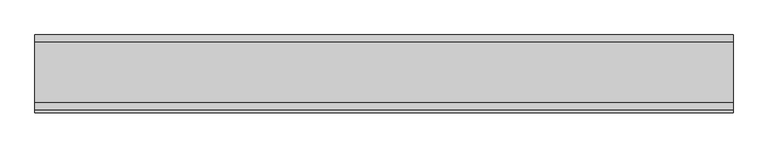
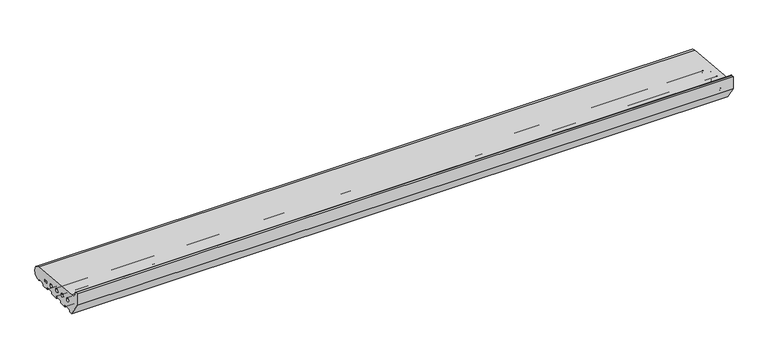
"""IFC4 building model written with IfcOpenShell, lengths in millimetres: proxy geometry."""

from ifc_helpers import new_model, si_unit, point, frame, frame_2d, origin, place, context, project, spatial, polyline, circle_curve, trimmed, segment, composite_curve, outline, extrude, source, transform, mapped, element, save


def generic_models_f367cd85(model_context):
    return source(origin(), model_context, "Body", "SweptSolid", [
        extrude(outline(composite_curve([segment(trimmed(circle_curve(frame_2d((26.0, 26.5)), 24.0), [point((28.0858073, 50.4091909))], [point((26.5981483, 2.5074549))], False, "CARTESIAN"), True, "CONTINUOUS"), segment(trimmed(circle_curve(frame_2d((26.5732255, 3.5071443)), 1.0), [point((26.5981483, 2.5074549))], [point((25.7072001, 3.0071443))], False, "CARTESIAN"), True, "CONTINUOUS"), segment(polyline([(25.7072001, 3.0071443), (23.6905989, 6.5)]), True, "CONTINUOUS"), segment(trimmed(circle_curve(frame_2d((21.9585481, 5.5)), 2.0), [point((23.6905989, 6.5))], [point((21.9585481, 7.5))], True, "CARTESIAN"), True, "CONTINUOUS"), segment(polyline([(21.9585481, 7.5), (5.4848276, 7.5)]), True, "CONTINUOUS"), segment(trimmed(circle_curve(frame_2d((5.4848276, 5.5)), 2.0), [point((5.4848276, 7.5))], [point((3.7527767, 6.5))], True, "CARTESIAN"), True, "CONTINUOUS"), segment(polyline([(3.7527767, 6.5), (0.2886751, 0.5)]), True, "CONTINUOUS"), segment(trimmed(circle_curve(frame_2d((-0.5773503, 1.0)), 1.0), [point((0.2886751, 0.5))], [point((-0.5773503, 0.0))], False, "CARTESIAN"), True, "CONTINUOUS"), segment(polyline([(-0.5773503, 0.0), (-23.0, 0.0)]), True, "CONTINUOUS"), segment(trimmed(circle_curve(frame_2d((-23.0, 1.0)), 1.0), [point((-23.0, 0.0))], [point((-24.0, 1.0))], False, "CARTESIAN"), True, "CONTINUOUS"), segment(polyline([(-24.0, 1.0), (-24.0, 5.5)]), True, "CONTINUOUS"), segment(trimmed(circle_curve(frame_2d((-26.0, 5.5)), 2.0), [point((-24.0, 5.5))], [point((-26.0, 7.5))], True, "CARTESIAN"), True, "CONTINUOUS"), segment(polyline([(-26.0, 7.5), (-49.0, 7.5)]), True, "CONTINUOUS"), segment(trimmed(circle_curve(frame_2d((-49.0, 5.5)), 2.0), [point((-49.0, 7.5))], [point((-51.0, 5.5))], True, "CARTESIAN"), True, "CONTINUOUS"), segment(polyline([(-51.0, 5.5), (-51.0, 1.0)]), True, "CONTINUOUS"), segment(trimmed(circle_curve(frame_2d((-52.0, 1.0)), 1.0), [point((-51.0, 1.0))], [point((-52.0, 0.0))], False, "CARTESIAN"), True, "CONTINUOUS"), segment(polyline([(-52.0, 0.0), (-75.0, 0.0)]), True, "CONTINUOUS"), segment(trimmed(circle_curve(frame_2d((-75.0, 1.0)), 1.0), [point((-75.0, 0.0))], [point((-76.0, 1.0))], False, "CARTESIAN"), True, "CONTINUOUS"), segment(polyline([(-76.0, 1.0), (-76.0, 5.5)]), True, "CONTINUOUS"), segment(trimmed(circle_curve(frame_2d((-78.0, 5.5)), 2.0), [point((-76.0, 5.5))], [point((-78.0, 7.5))], True, "CARTESIAN"), True, "CONTINUOUS"), segment(polyline([(-78.0, 7.5), (-101.0, 7.5)]), True, "CONTINUOUS"), segment(trimmed(circle_curve(frame_2d((-101.0, 5.5)), 2.0), [point((-101.0, 7.5))], [point((-103.0, 5.5))], True, "CARTESIAN"), True, "CONTINUOUS"), segment(polyline([(-103.0, 5.5), (-103.0, 1.0)]), True, "CONTINUOUS"), segment(trimmed(circle_curve(frame_2d((-104.0, 1.0)), 1.0), [point((-103.0, 1.0))], [point((-104.0, 0.0))], False, "CARTESIAN"), True, "CONTINUOUS"), segment(polyline([(-104.0, 0.0), (-127.0, 0.0)]), True, "CONTINUOUS"), segment(trimmed(circle_curve(frame_2d((-127.0, 1.0)), 1.0), [point((-127.0, 0.0))], [point((-128.0, 1.0))], False, "CARTESIAN"), True, "CONTINUOUS"), segment(polyline([(-128.0, 1.0), (-128.0, 5.5)]), True, "CONTINUOUS"), segment(trimmed(circle_curve(frame_2d((-130.0, 5.5)), 2.0), [point((-128.0, 5.5))], [point((-130.0, 7.5))], True, "CARTESIAN"), True, "CONTINUOUS"), segment(polyline([(-130.0, 7.5), (-153.0, 7.5)]), True, "CONTINUOUS"), segment(trimmed(circle_curve(frame_2d((-153.0, 5.5)), 2.0), [point((-153.0, 7.5))], [point((-155.0, 5.5))], True, "CARTESIAN"), True, "CONTINUOUS"), segment(polyline([(-155.0, 5.5), (-155.0, 1.0)]), True, "CONTINUOUS"), segment(trimmed(circle_curve(frame_2d((-156.0, 1.0)), 1.0), [point((-155.0, 1.0))], [point((-156.0, 0.0))], False, "CARTESIAN"), True, "CONTINUOUS"), segment(polyline([(-156.0, 0.0), (-168.0, 0.0), (-200.0, 50.0), (-200.0, 91.9790981), (-191.9246962, 91.9790981)]), True, "CONTINUOUS"), segment(trimmed(circle_curve(frame_2d((-191.9246962, 89.9790981)), 2.0), [point((-191.9246962, 91.9790981))], [point((-189.9303588, 90.1294924))], False, "CARTESIAN"), True, "CONTINUOUS"), segment(trimmed(circle_curve(frame_2d((-165.4032519, 91.9790985)), 24.5967481), [point((-189.9303588, 90.1294924))], [point((-167.5409218, 67.4754175))], True, "CARTESIAN"), True, "CONTINUOUS"), segment(polyline([(-167.5409218, 67.4754175), (28.0858073, 50.4091909)]), True, "CONTINUOUS")], self_intersect=False), holes=[polyline([(-21.5, 20.9289), (-9.5, 20.9289), (-9.5, 28.9289), (-21.5, 28.9289), (-21.5, 20.9289)]), composite_curve([segment(trimmed(circle_curve(frame_2d((-45.5, 27.333)), 6.0), [point((-51.5, 27.333))], [point((-39.5, 27.333))], True, "CARTESIAN"), True, "CONTINUOUS"), segment(trimmed(circle_curve(frame_2d((-45.5, 27.333)), 6.0), [point((-39.5, 27.333))], [point((-51.5, 27.333))], True, "CARTESIAN"), True, "CONTINUOUS")], self_intersect=False), composite_curve([segment(trimmed(circle_curve(frame_2d((-78.0, 30.0)), 6.0), [point((-84.0, 30.0))], [point((-72.0, 30.0))], True, "CARTESIAN"), True, "CONTINUOUS"), segment(trimmed(circle_curve(frame_2d((-78.0, 30.0)), 6.0), [point((-72.0, 30.0))], [point((-84.0, 30.0))], True, "CARTESIAN"), True, "CONTINUOUS")], self_intersect=False), composite_curve([segment(trimmed(circle_curve(frame_2d((-110.5, 32.667)), 6.0), [point((-116.5, 32.667))], [point((-104.5, 32.667))], True, "CARTESIAN"), True, "CONTINUOUS"), segment(trimmed(circle_curve(frame_2d((-110.5, 32.667)), 6.0), [point((-104.5, 32.667))], [point((-116.5, 32.667))], True, "CARTESIAN"), True, "CONTINUOUS")], self_intersect=False), composite_curve([segment(trimmed(circle_curve(frame_2d((-143.0, 35.334)), 6.0), [point((-149.0, 35.334))], [point((-137.0, 35.334))], True, "CARTESIAN"), True, "CONTINUOUS"), segment(trimmed(circle_curve(frame_2d((-143.0, 35.334)), 6.0), [point((-137.0, 35.334))], [point((-149.0, 35.334))], True, "CARTESIAN"), True, "CONTINUOUS")], self_intersect=False)]), frame((0.0, 0.0, 0.0), z_axis=(1.0, 0.0, 0.0), x_axis=(0.0, 1.0, 0.0)), (0.0, 0.0, 1.0), 2240.0),
    ])


if __name__ == "__main__":
    model = new_model("IFC4")
    model_context = context("Model", 3, world=origin())
    ifc_project = project(units=[si_unit("LENGTHUNIT", "METRE", prefix="MILLI")], contexts=[model_context])
    site = spatial("IfcSite", under=ifc_project)
    building = spatial("IfcBuilding", under=site)
    placement = place(None, origin())
    generic_models_shape = generic_models_f367cd85(model_context)
    element("IfcBuildingElementProxy", 1, Name="Generic Models", at=placement, inside=building, context=model_context, shape_type="MappedRepresentation", body=[
        mapped(generic_models_shape, transform((0.0, 0.0, 0.0), x_axis=(1.0, 0.0, 0.0), y_axis=(0.0, 1.0, 0.0), z_axis=(0.0, 0.0, 1.0))),
    ])
    save(model, "model.ifc")
